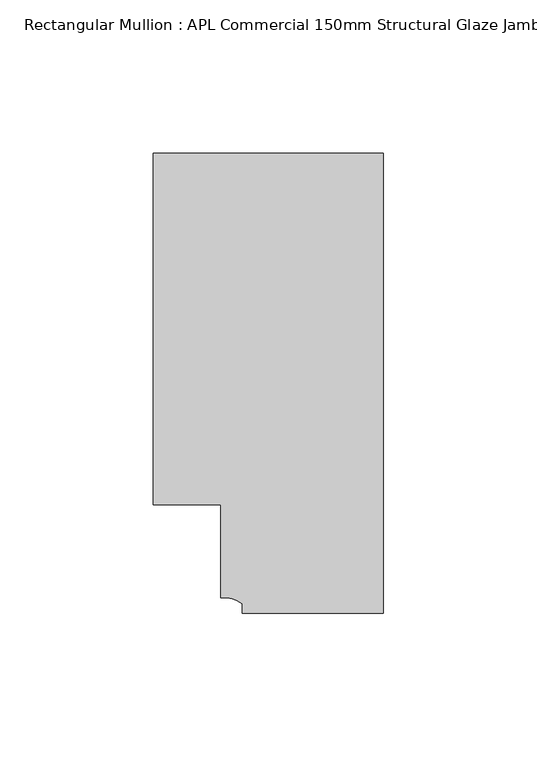
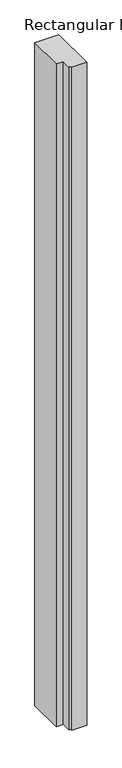
"""IFC4 building model written with IfcOpenShell, lengths in millimetres: member geometry, Rectangular Mullion : APL Commercial 150mm Structural Glaze Jamb Frame (left)."""

from ifc_helpers import new_model, si_unit, point, frame, frame_2d, origin, place, context, project, spatial, polyline, circle_curve, trimmed, segment, composite_curve, outline, extrude, source, transform, mapped, element, save


def rectangular_mullion_apl_commercial_150mm_structural_glaze_6f974a29(model_context):
    return source(origin(), model_context, "Body", "SweptSolid", [
        extrude(outline(composite_curve([segment(polyline([(0.0, -20.5), (-45.9999842, -20.5), (-45.9999842, -17.3125325)]), True, "CONTINUOUS"), segment(trimmed(circle_curve(frame_2d((-52.1098019, -25.7981812)), 10.4563907), [point((-45.9999842, -17.3125325))], [point((-52.9999391, -15.3797475))], True, "CARTESIAN"), True, "CONTINUOUS"), segment(polyline([(-52.9999391, -15.3797475), (-52.9999391, 15.0000829), (-75.0, 15.0000829), (-75.0, 129.4999988), (0.0, 129.4999988), (0.0, -20.5)]), True, "CONTINUOUS")], self_intersect=False)), frame((0.0, 0.0, -2185.025975), z_axis=(0.0, 0.0, 1.0), x_axis=(1.0, 0.0, 0.0)), (0.0, 0.0, 1.0), 2185.025975),
    ])


if __name__ == "__main__":
    model = new_model("IFC4")
    model_context = context("Model", 3, world=origin())
    ifc_project = project(units=[si_unit("LENGTHUNIT", "METRE", prefix="MILLI")], contexts=[model_context])
    site = spatial("IfcSite", under=ifc_project)
    building = spatial("IfcBuilding", under=site)
    placement = place(None, origin())
    rectangular_mullion_apl_commercial_150mm_structural_glaze_shape = rectangular_mullion_apl_commercial_150mm_structural_glaze_6f974a29(model_context)
    element("IfcMember", 1, ObjectType="Rectangular Mullion : APL Commercial 150mm Structural Glaze Jamb Frame (left)", at=placement, inside=building, context=model_context, shape_type="MappedRepresentation", body=[
        mapped(rectangular_mullion_apl_commercial_150mm_structural_glaze_shape, transform((0.0, 0.0, 0.0), x_axis=(1.0, 0.0, 0.0), y_axis=(0.0, 1.0, 0.0), z_axis=(0.0, 0.0, 1.0))),
    ])
    save(model, "model.ifc")
